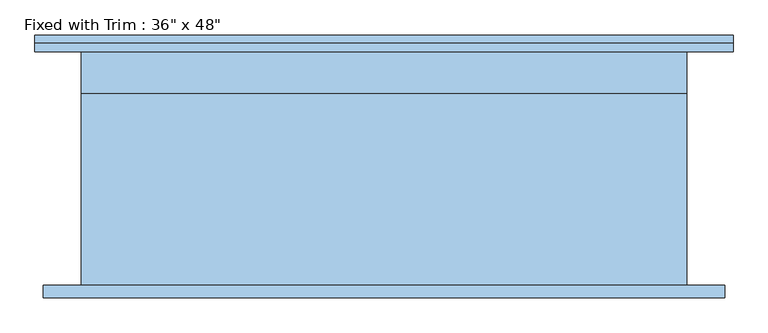
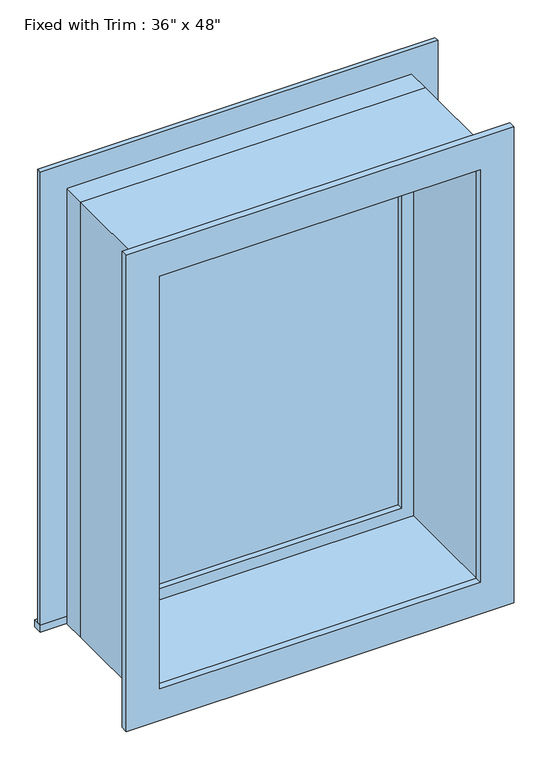
"""IFC4 building model written with IfcOpenShell, lengths in millimetres: window geometry."""

from ifc_helpers import new_model, si_unit, frame, origin, place, context, project, spatial, polyline, outline, extrude, source, transform, mapped, element, save


def window_da404c6e(model_context):
    return source(origin(), model_context, "Body", "SweptSolid", [
        extrude(outline(polyline([(-565.15, 201.6125), (488.95, 201.6125), (488.95, 176.2125), (-565.15, 176.2125), (-565.15, 201.6125)])), frame((0.0, 0.0, 914.4), z_axis=(0.0, 0.0, 1.0), x_axis=(1.0, 0.0, 0.0)), (0.0, 0.0, 1.0), 19.05),
        extrude(outline(polyline([(2114.55, -476.25), (2114.55, 400.05), (933.45, 400.05), (933.45, 488.95), (2203.45, 488.95), (2203.45, -565.15), (933.45, -565.15), (933.45, -476.25), (2114.55, -476.25)])), frame((0.0, 176.2125, 0.0), z_axis=(0.0, 1.0, 0.0), x_axis=(0.0, 0.0, 1.0)), (0.0, 0.0, 1.0), 12.7),
        extrude(outline(polyline([(2190.75, 476.25), (2190.75, -552.45), (857.25, -552.45), (857.25, 476.25), (2190.75, 476.25)]), holes=[polyline([(2101.85, 387.35), (946.15, 387.35), (946.15, -463.55), (2101.85, -463.55), (2101.85, 387.35)])]), frame((0.0, -195.2625, 0.0), z_axis=(0.0, 1.0, 0.0), x_axis=(0.0, 0.0, 1.0)), (0.0, 0.0, 1.0), 19.05),
        extrude(outline(polyline([(355.6, 128.5875), (-431.8, 128.5875), (-431.8, 141.2875), (355.6, 141.2875), (355.6, 128.5875)])), frame((0.0, 0.0, 977.9), z_axis=(0.0, 0.0, 1.0), x_axis=(1.0, 0.0, 0.0)), (0.0, 0.0, 1.0), 1092.2),
        extrude(outline(polyline([(2114.55, -476.25), (933.45, -476.25), (933.45, 400.05), (2114.55, 400.05), (2114.55, -476.25)]), holes=[polyline([(2070.1, -431.8), (2070.1, 355.6), (977.9, 355.6), (977.9, -431.8), (2070.1, -431.8)])]), frame((0.0, 112.7125, 0.0), z_axis=(0.0, 1.0, 0.0), x_axis=(0.0, 0.0, 1.0)), (0.0, 0.0, 1.0), 44.45),
        extrude(outline(polyline([(2133.6, -495.3), (914.4, -495.3), (914.4, 419.1), (2133.6, 419.1), (2133.6, -495.3)]), holes=[polyline([(2101.85, -463.55), (2101.85, 387.35), (946.15, 387.35), (946.15, -463.55), (2101.85, -463.55)])]), frame((0.0, -176.2125, 0.0), z_axis=(0.0, 1.0, 0.0), x_axis=(0.0, 0.0, 1.0)), (0.0, 0.0, 1.0), 288.925),
        extrude(outline(polyline([(2133.6, 419.1), (2133.6, -495.3), (914.4, -495.3), (914.4, 419.1), (2133.6, 419.1)]), holes=[polyline([(2114.55, 400.05), (933.45, 400.05), (933.45, -476.25), (2114.55, -476.25), (2114.55, 400.05)])]), frame((0.0, 112.7125, 0.0), z_axis=(0.0, 1.0, 0.0), x_axis=(0.0, 0.0, 1.0)), (0.0, 0.0, 1.0), 63.5),
    ])


if __name__ == "__main__":
    model = new_model("IFC4")
    model_context = context("Model", 3, world=origin())
    ifc_project = project(units=[si_unit("LENGTHUNIT", "METRE", prefix="MILLI")], contexts=[model_context])
    site = spatial("IfcSite", under=ifc_project)
    building = spatial("IfcBuilding", under=site)
    placement = place(None, origin())
    window_shape = window_da404c6e(model_context)
    element("IfcWindow", 1, ObjectType="Fixed with Trim : 36\" x 48\"", at=placement, inside=building, context=model_context, shape_type="MappedRepresentation", body=[
        mapped(window_shape, transform((0.0, 0.0, 0.0), x_axis=(1.0, 0.0, 0.0), y_axis=(0.0, 1.0, 0.0), z_axis=(0.0, 0.0, 1.0))),
    ])
    save(model, "model.ifc")
